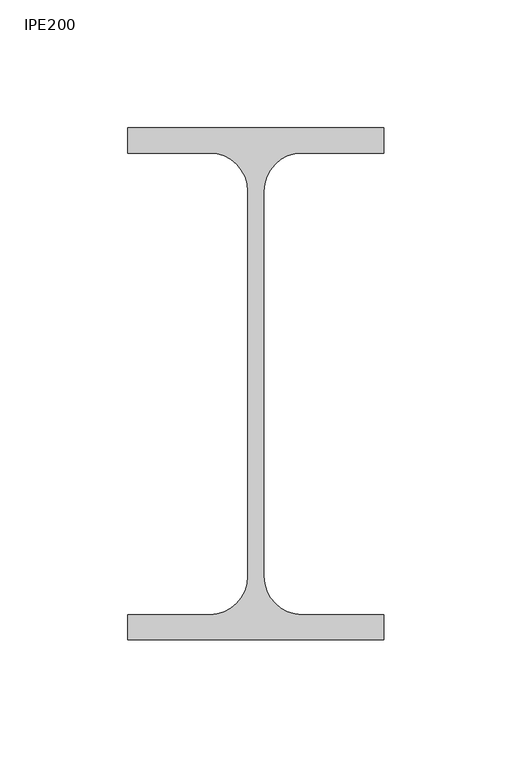
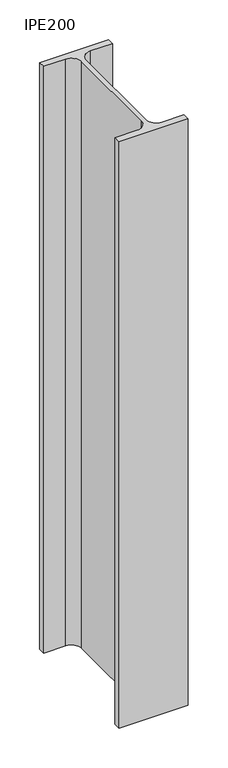
"""IFC4 building model written with IfcOpenShell, lengths in millimetres: column geometry, IPE200."""

from ifc_helpers import new_model, si_unit, point, frame, frame_2d, origin, place, context, project, spatial, polyline, circle_curve, trimmed, segment, composite_curve, outline, extrude, source, transform, mapped, element, save


def ipe200_effd4913(model_context):
    return source(origin(), model_context, "Body", "SweptSolid", [
        extrude(outline(composite_curve([segment(polyline([(50.0, 100.0), (50.0, 90.2), (18.1, 90.2)]), True, "CONTINUOUS"), segment(trimmed(circle_curve(frame_2d((18.1, 75.2)), 15.0), [point((18.1, 90.2))], [point((3.1, 75.2))], True, "CARTESIAN"), True, "CONTINUOUS"), segment(polyline([(3.1, 75.2), (3.1, -75.2)]), True, "CONTINUOUS"), segment(trimmed(circle_curve(frame_2d((18.1, -75.2)), 15.0), [point((3.1, -75.2))], [point((18.1, -90.2))], True, "CARTESIAN"), True, "CONTINUOUS"), segment(polyline([(18.1, -90.2), (50.0, -90.2), (50.0, -100.0), (-50.0, -100.0), (-50.0, -90.2), (-18.1, -90.2)]), True, "CONTINUOUS"), segment(trimmed(circle_curve(frame_2d((-18.1, -75.2)), 15.0), [point((-18.1, -90.2))], [point((-3.1, -75.2))], True, "CARTESIAN"), True, "CONTINUOUS"), segment(polyline([(-3.1, -75.2), (-3.1, 75.2)]), True, "CONTINUOUS"), segment(trimmed(circle_curve(frame_2d((-18.1, 75.2)), 15.0), [point((-3.1, 75.2))], [point((-18.1, 90.2))], True, "CARTESIAN"), True, "CONTINUOUS"), segment(polyline([(-18.1, 90.2), (-50.0, 90.2), (-50.0, 100.0), (50.0, 100.0)]), True, "CONTINUOUS")], self_intersect=False)), frame((0.0, 0.0, 9360.0), z_axis=(0.0, 0.0, 1.0), x_axis=(1.0, 0.0, 0.0)), (0.0, 0.0, 1.0), 900.0),
    ])


if __name__ == "__main__":
    model = new_model("IFC4")
    model_context = context("Model", 3, world=origin())
    ifc_project = project(units=[si_unit("LENGTHUNIT", "METRE", prefix="MILLI")], contexts=[model_context])
    site = spatial("IfcSite", under=ifc_project)
    building = spatial("IfcBuilding", under=site)
    placement = place(None, origin())
    ipe200_shape = ipe200_effd4913(model_context)
    element("IfcColumn", 1, ObjectType="IPE200", at=placement, inside=building, context=model_context, shape_type="MappedRepresentation", body=[
        mapped(ipe200_shape, transform((0.0, 0.0, 0.0), x_axis=(1.0, 0.0, 0.0), y_axis=(0.0, 1.0, 0.0), z_axis=(0.0, 0.0, 1.0))),
    ])
    save(model, "model.ifc")
